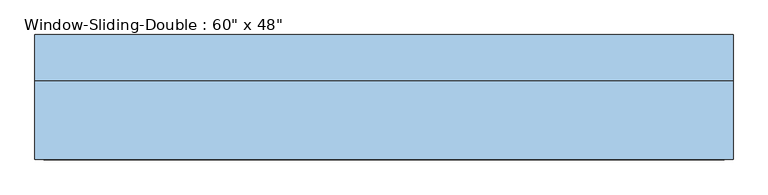
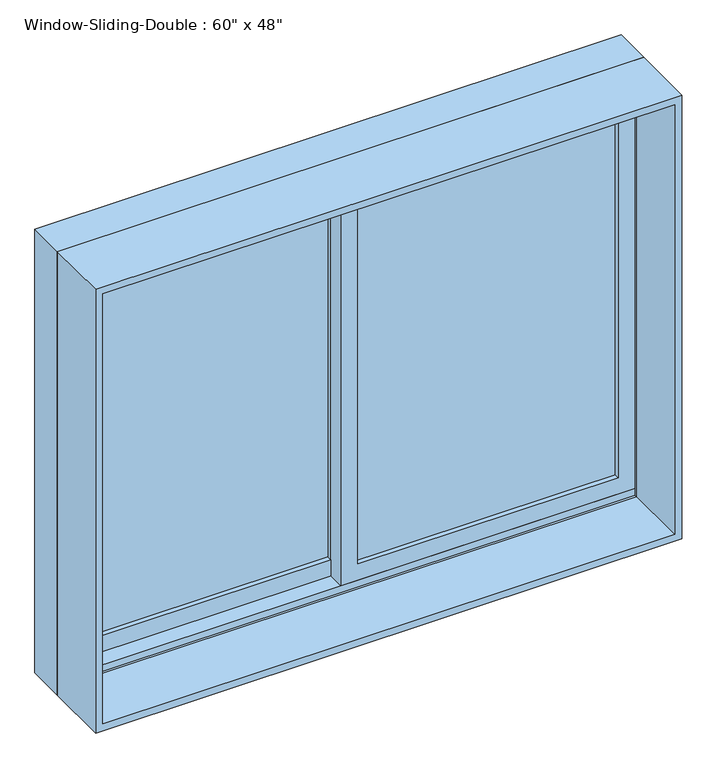
"""IFC4 building model written with IfcOpenShell, lengths in millimetres: window geometry."""

from ifc_helpers import new_model, si_unit, frame, origin, place, context, project, spatial, polyline, outline, extrude, faceted_brep, source, transform, mapped, element, save


def window_af6eba4b(model_context):
    return source(origin(), model_context, "Body", "SolidModel", [
        extrude(outline(polyline([(952.5, 742.95), (2114.55, 742.95), (2114.55, -22.225), (952.5, -22.225), (952.5, 742.95)]), holes=[polyline([(996.95, 22.225), (2070.1, 22.225), (2070.1, 698.5), (996.95, 698.5), (996.95, 22.225)])]), frame((0.0, 46.99, 0.0), z_axis=(0.0, 1.0, 0.0), x_axis=(0.0, 0.0, 1.0)), (0.0, 0.0, 1.0), 44.45),
        extrude(outline(polyline([(933.45, -742.95), (933.45, 22.225), (2114.55, 22.225), (2114.55, -742.95), (933.45, -742.95)]), holes=[polyline([(2070.1, -22.225), (996.95, -22.225), (996.95, -698.5), (2070.1, -698.5), (2070.1, -22.225)])]), frame((0.0, 91.44, 0.0), z_axis=(0.0, 1.0, 0.0), x_axis=(0.0, 0.0, 1.0)), (0.0, 0.0, 1.0), 44.45),
        extrude(outline(polyline([(-22.225, 123.19), (-22.225, 116.84), (-698.5, 116.84), (-698.5, 123.19), (-22.225, 123.19)])), frame((0.0, 0.0, 996.95), z_axis=(0.0, 0.0, 1.0), x_axis=(1.0, 0.0, 0.0)), (0.0, 0.0, 1.0), 1073.15),
        extrude(outline(polyline([(-22.225, 110.49), (-22.225, 104.14), (-698.5, 104.14), (-698.5, 110.49), (-22.225, 110.49)])), frame((0.0, 0.0, 996.95), z_axis=(0.0, 0.0, 1.0), x_axis=(1.0, 0.0, 0.0)), (0.0, 0.0, 1.0), 1073.15),
        extrude(outline(polyline([(698.5, 78.74), (698.5, 72.39), (22.225, 72.39), (22.225, 78.74), (698.5, 78.74)])), frame((0.0, 0.0, 996.95), z_axis=(0.0, 0.0, 1.0), x_axis=(1.0, 0.0, 0.0)), (0.0, 0.0, 1.0), 1073.15),
        extrude(outline(polyline([(698.5, 66.04), (698.5, 59.69), (22.225, 59.69), (22.225, 66.04), (698.5, 66.04)])), frame((0.0, 0.0, 996.95), z_axis=(0.0, 0.0, 1.0), x_axis=(1.0, 0.0, 0.0)), (0.0, 0.0, 1.0), 1073.15),
        extrude(outline(polyline([(2133.6, -762.0), (914.4, -762.0), (914.4, 762.0), (2133.6, 762.0), (2133.6, -762.0)]), holes=[polyline([(2114.55, 742.95), (933.45, 742.95), (933.45, -742.95), (2114.55, -742.95), (2114.55, 742.95)])]), frame((0.0, -130.81, 0.0), z_axis=(0.0, 1.0, 0.0), x_axis=(0.0, 0.0, 1.0)), (0.0, 0.0, 1.0), 171.45),
        faceted_brep([(-762.0, 40.64, 914.4), (-762.0, 142.24, 914.4), (762.0, 142.24, 914.4), (762.0, 40.64, 914.4), (-721.0778905, 142.24, 2092.6778905), (-721.0778905, 135.89, 2092.6778905), (-721.0778905, 135.89, 933.45), (-721.0778905, 142.24, 933.45), (721.0778905, 135.89, 2092.6778905), (721.0778905, 135.89, 933.45), (742.95, 135.89, 933.45), (742.95, 135.89, 2114.55), (-742.95, 135.89, 2114.55), (-742.95, 135.89, 933.45), (-742.95, 40.64, 2114.55), (-742.95, 40.64, 933.45), (-742.95, 46.99, 933.45), (-742.95, 46.99, 952.5), (-742.95, 91.44, 952.5), (-742.95, 91.44, 933.45), (762.0, 40.64, 2133.6), (-762.0, 40.64, 2133.6), (742.95, 40.64, 2114.55), (742.95, 40.64, 933.45), (-762.0, 142.24, 2133.6), (762.0, 142.24, 2133.6), (721.0778905, 142.24, 933.45), (721.0778905, 142.24, 2092.6778905), (742.95, 91.44, 933.45), (742.95, 91.44, 952.5), (742.95, 46.99, 952.5), (742.95, 46.99, 933.45)], [[[0, 1, 2, 3]], [[4, 5, 6, 7]], [[5, 8, 9, 10, 11, 12, 13, 6]], [[12, 14, 15, 16, 17, 18, 19, 13]], [[0, 3, 20, 21], [22, 23, 15, 14]], [[24, 1, 0, 21]], [[2, 1, 24, 25], [4, 7, 26, 27]], [[5, 4, 27, 8]], [[12, 11, 22, 14]], [[21, 20, 25, 24]], [[8, 27, 26, 9]], [[22, 11, 10, 28, 29, 30, 31, 23]], [[20, 3, 2, 25]], [[26, 7, 6, 13, 19, 28, 10, 9]], [[28, 19, 18, 29]], [[29, 18, 17, 30]], [[30, 17, 16, 31]], [[15, 23, 31, 16]]]),
    ])


if __name__ == "__main__":
    model = new_model("IFC4")
    model_context = context("Model", 3, world=origin())
    ifc_project = project(units=[si_unit("LENGTHUNIT", "METRE", prefix="MILLI")], contexts=[model_context])
    site = spatial("IfcSite", under=ifc_project)
    building = spatial("IfcBuilding", under=site)
    placement = place(None, origin())
    window_shape = window_af6eba4b(model_context)
    element("IfcWindow", 1, ObjectType="Window-Sliding-Double : 60\" x 48\"", at=placement, inside=building, context=model_context, shape_type="MappedRepresentation", body=[
        mapped(window_shape, transform((0.0, 0.0, 0.0), x_axis=(1.0, 0.0, 0.0), y_axis=(0.0, 1.0, 0.0), z_axis=(0.0, 0.0, 1.0))),
    ])
    save(model, "model.ifc")
